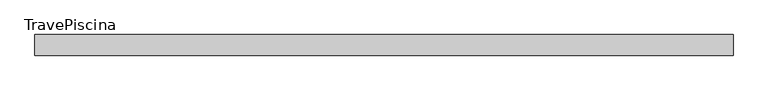
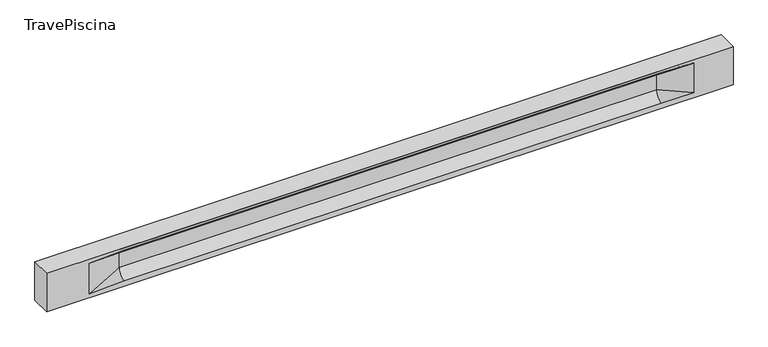
"""IFC4 building model written with IfcOpenShell, lengths in millimetres: beam geometry, TravePiscina."""

from ifc_helpers import new_model, si_unit, frame, origin, place, context, project, spatial, polyline, circle_curve, source, transform, mapped, element, save
from ifc_brep_helpers import plane_surface, revolved_surface, spline_surface, advanced_brep


def travepiscina_fba0a318(model_context):
    return source(origin(), model_context, "Body", "AdvancedBrep", [
        advanced_brep(
        [(8460.5, -250.0, 500.0), (8460.5, -250.0, -500.0), (8460.5, 250.0, -500.0), (8460.5, 250.0, 500.0), (-8460.5, -250.0, 500.0), (-8460.5, -250.0, -500.0), (7485.5, -250.0, -362.0), (6685.5, -250.0, -360.0), (-6560.5, -250.0, -360.0), (-7410.5, -250.0, -400.0), (-7410.5, -250.0, 400.0), (-6560.5, -250.0, 435.0), (6685.5, -250.0, 435.0), (7485.5, -250.0, 400.0), (-8460.5, 250.0, -500.0), (-8460.5, 250.0, 500.0), (7485.5, 250.0, 400.0), (6685.5, 250.0, 435.0), (-6560.5, 250.0, 435.0), (-7410.5, 250.0, 400.0), (-7410.5, 250.0, -400.0), (-6560.5, 250.0, -360.0), (6685.5, 250.0, -360.0), (7485.5, 250.0, -362.0), (6685.5, 155.0, 405.0), (-6560.5, 155.0, 405.0), (-6560.5, -60.0, 262.777021), (6685.5, -60.0, 262.777021), (6685.5, -155.0, 405.0), (-6560.5, -155.0, 405.0), (-6560.5, 60.0, 262.777021), (6685.5, 60.0, 262.777021), (6685.5, 60.0, -120.0), (-6560.5, 60.0, -120.0), (-6560.5, -60.0, -120.0), (6685.5, -60.0, -120.0)],
        [
            (0, 1),
            (1, 2),
            (2, 3),
            (3, 0),
            (0, 4),
            (4, 5),
            (5, 1),
            (6, 7),
            (7, 8),
            (8, 9),
            (9, 10),
            (10, 11),
            (11, 12),
            (12, 13),
            (13, 6),
            (5, 14),
            (14, 2),
            (14, 15),
            (15, 3),
            (16, 17),
            (17, 18),
            (18, 19),
            (19, 20),
            (20, 21),
            (21, 22),
            (22, 23),
            (23, 16),
            (15, 4),
            (17, 24),
            (24, 25),
            (25, 18),
            (26, 27),
            (27, 28, circle_curve(frame((6685.5, -213.9598725, 262.777021), z_axis=(1.0, 0.0, 0.0), x_axis=(0.0, 1.0, 0.0)), 153.9598725)),
            (28, 29),
            (29, 26, circle_curve(frame((-6560.5, -213.9598725, 262.777021), z_axis=(-1.0, 0.0, 0.0), x_axis=(0.0, 1.0, 0.0)), 153.9598725)),
            (30, 31),
            (31, 32),
            (32, 33),
            (33, 30),
            (28, 12),
            (11, 29),
            (34, 35),
            (35, 27),
            (26, 34),
            (25, 19),
            (22, 32, circle_curve(frame((6685.5, 306.5789474, -120.0), z_axis=(-1.0, 0.0, 0.0), x_axis=(0.0, 1.0, 0.0)), 246.5789474)),
            (32, 23),
            (10, 29),
            (10, 26),
            (13, 28),
            (27, 13),
            (30, 19),
            (25, 30, circle_curve(frame((-6560.5, 213.9598725, 262.777021), z_axis=(1.0, 0.0, 0.0), x_axis=(0.0, 1.0, 0.0)), 153.9598725)),
            (9, 34),
            (8, 34, circle_curve(frame((-6560.5, -306.5789474, -120.0), z_axis=(1.0, 0.0, 0.0), x_axis=(0.0, 1.0, 0.0)), 246.5789474)),
            (20, 33),
            (33, 21, circle_curve(frame((-6560.5, 306.5789474, -120.0), z_axis=(1.0, 0.0, 0.0), x_axis=(0.0, 1.0, 0.0)), 246.5789474)),
            (35, 6),
            (35, 7, circle_curve(frame((6685.5, -306.5789474, -120.0), z_axis=(-1.0, 0.0, 0.0), x_axis=(0.0, 1.0, 0.0)), 246.5789474)),
            (31, 16),
            (31, 24, circle_curve(frame((6685.5, 213.9598725, 262.777021), z_axis=(-1.0, 0.0, 0.0), x_axis=(0.0, 1.0, 0.0)), 153.9598725)),
            (24, 16),
        ],
        [
            plane_surface(frame((8460.5, 0.0, 0.0), z_axis=(1.0, 0.0, 0.0), x_axis=(0.0, 0.0, 1.0))),
            plane_surface(frame((8460.5, -250.0, 500.0), z_axis=(0.0, -1.0, 0.0), x_axis=(-1.0, 0.0, 0.0))),
            plane_surface(frame((8460.5, -250.0, -500.0), z_axis=(0.0, 0.0, -1.0), x_axis=(-1.0, 0.0, 0.0))),
            plane_surface(frame((8460.5, 250.0, -500.0), z_axis=(0.0, 1.0, 0.0), x_axis=(-1.0, 0.0, 0.0))),
            plane_surface(frame((8460.5, 250.0, 500.0), z_axis=(0.0, 0.0, 1.0), x_axis=(-1.0, 0.0, 0.0))),
            plane_surface(frame((-6560.5, 250.0, 435.0), z_axis=(0.0, 0.30113136793710954, -0.9535826651341378), x_axis=(1.0, 0.0, 0.0))),
            plane_surface(frame((-8460.5, 0.0, 0.0), z_axis=(-1.0, 0.0, 0.0), x_axis=(0.0, 0.0, 1.0))),
            revolved_surface(polyline([(6685.5, -60.0, 262.777021), (-6560.5, -60.0, 262.777021)]), (-6560.5, -213.9598725, 262.777021), (1.0, 0.0, 0.0)),
            plane_surface(frame((-6560.5, 60.0, 262.777021), z_axis=(0.0, 1.0, 0.0), x_axis=(1.0, 0.0, 0.0))),
            plane_surface(frame((-6560.5, -155.0, 405.0), z_axis=(0.0, -0.30113136793710693, -0.9535826651341387), x_axis=(1.0, 0.0, 0.0))),
            plane_surface(frame((-6560.5, -60.0, -120.0), z_axis=(0.0, -1.0, 0.0), x_axis=(1.0, 0.0, 0.0))),
            plane_surface(frame((-7410.5, 250.0, 400.0), z_axis=(0.03923493491469434, 0.30089950084952793, -0.9528484193567961), x_axis=(0.0, 0.9535826651341378, 0.30113136793710954))),
            spline_surface(2, 1, [[(6685.5, 250.0, -360.0), (7485.5, 250.0, -362.0)], [(6685.5, 60.00000002887427, -315.20833329480604), (7485.5, 250.0, -362.0)], [(6685.5, 60.0, -120.0), (7485.5, 250.0, -362.0)]], [3, 3], [2, 2], [0.0, 1.0], [0.0, 1.0], weights=[[1.0, 1.0], [0.7840458245391329, 0.7840458245391329], [1.0, 1.0]]),
            plane_surface(frame((-7410.5, -250.0, 400.0), z_axis=(0.03923493491469438, -0.3008995008495253, -0.952848419356797), x_axis=(0.0, 0.9535826651341387, -0.30113136793710693))),
            spline_surface(2, 1, [[(-7410.5, -250.0, 400.0), (-6560.5, -155.0, 405.0)], [(-7410.5, -250.0, 400.0), (-6560.5, -60.00000008030692, 365.6168572114734)], [(-7410.5, -250.0, 400.0), (-6560.5, -60.0, 262.777021)]], [3, 3], [2, 2], [0.0, 1.0], [0.0, 1.0], weights=[[1.0, 1.0], [0.8315515924557569, 0.8315515924557569], [1.0, 1.0]]),
            spline_surface(2, 1, [[(6685.5, -155.0, 405.0), (7485.5, -250.0, 400.0)], [(6685.5, -60.00000008030692, 365.6168572114734), (7485.5, -250.0, 400.0)], [(6685.5, -60.0, 262.777021), (7485.5, -250.0, 400.0)]], [3, 3], [2, 2], [0.0, 1.0], [0.0, 1.0], weights=[[1.0, 1.0], [0.8315515924557569, 0.8315515924557569], [1.0, 1.0]]),
            plane_surface(frame((6685.5, -202.5, 420.0), z_axis=(-0.041682982855687514, -0.30086965068766125, -0.9527538938442274), x_axis=(0.0, 0.9535826651341387, -0.30113136793710693))),
            spline_surface(2, 1, [[(-7410.5, 250.0, 400.0), (-6560.5, 60.0, 262.777021)], [(-7410.5, 250.0, 400.0), (-6560.5, 59.99999995452379, 365.6168572954922)], [(-7410.5, 250.0, 400.0), (-6560.5, 155.0, 405.0)]], [3, 3], [2, 2], [0.0, 1.0], [0.0, 1.0], weights=[[1.0, 1.0], [0.8315515921160737, 0.8315515921160737], [1.0, 1.0]]),
            plane_surface(frame((-7410.5, -250.0, 0.0), z_axis=(0.2181459637070523, -0.9759161534262671, 0.0), x_axis=(0.0, 0.0, -1.0))),
            spline_surface(2, 1, [[(-7410.5, -250.0, -400.0), (-6560.5, -60.0, -120.0)], [(-7410.5, -250.0, -400.0), (-6560.5, -59.99999998020837, -315.20833333333337)], [(-7410.5, -250.0, -400.0), (-6560.5, -250.0, -360.0)]], [3, 3], [2, 2], [0.0, 1.0], [0.0, 1.0], weights=[[1.0, 1.0], [0.7840458244617614, 0.7840458244617614], [1.0, 1.0]]),
            spline_surface(2, 1, [[(-7410.5, 250.0, -400.0), (-6560.5, 250.0, -360.0)], [(-7410.5, 250.0, -400.0), (-6560.5, 60.00000002887427, -315.20833329480604)], [(-7410.5, 250.0, -400.0), (-6560.5, 60.0, -120.0)]], [3, 3], [2, 2], [0.0, 1.0], [0.0, 1.0], weights=[[1.0, 1.0], [0.7840458245391329, 0.7840458245391329], [1.0, 1.0]]),
            plane_surface(frame((-7410.5, 250.0, 0.0), z_axis=(0.21814596370704822, 0.9759161534262681, 0.0), x_axis=(0.0, 0.0, 1.0))),
            plane_surface(frame((6685.5, -60.0, 71.3885105), z_axis=(-0.23107243079589768, -0.9729365507195602, 0.0), x_axis=(0.0, 0.0, -1.0))),
            spline_surface(2, 1, [[(6685.5, -60.0, -120.0), (7485.5, -250.0, -362.0)], [(6685.5, -59.99999998020837, -315.20833333333337), (7485.5, -250.0, -362.0)], [(6685.5, -250.0, -360.0), (7485.5, -250.0, -362.0)]], [3, 3], [2, 2], [0.0, 1.0], [0.0, 1.0], weights=[[1.0, 1.0], [0.7840458244617614, 0.7840458244617614], [1.0, 1.0]]),
            plane_surface(frame((6685.5, 60.0, 71.3885105), z_axis=(-0.2310724307958912, 0.9729365507195616, 0.0), x_axis=(0.0, 0.0, 1.0))),
            spline_surface(2, 1, [[(6685.5, 60.0, 262.777021), (7485.5, 250.0, 400.0)], [(6685.5, 59.99999995452379, 365.6168572954922), (7485.5, 250.0, 400.0)], [(6685.5, 155.0, 405.0), (7485.5, 250.0, 400.0)]], [3, 3], [2, 2], [0.0, 1.0], [0.0, 1.0], weights=[[1.0, 1.0], [0.8315515921160737, 0.8315515921160737], [1.0, 1.0]]),
            plane_surface(frame((6685.5, 202.5, 420.0), z_axis=(-0.04168298285568677, 0.30086965068766386, -0.9527538938442265), x_axis=(0.0, 0.9535826651341378, 0.30113136793710954))),
            revolved_surface(polyline([(6685.5, 367.919745, 262.777021), (-6560.5, 367.919745, 262.777021)]), (-6560.5, 213.9598725, 262.777021), (1.0, 0.0, 0.0)),
            revolved_surface(polyline([(6685.5, 553.1578948, -120.0), (-6560.5, 553.1578948, -120.0)]), (-6560.5, 306.5789474, -120.0), (1.0, 0.0, 0.0)),
            revolved_surface(polyline([(6685.5, -60.0, -120.0), (-6560.5, -60.0, -120.0)]), (-6560.5, -306.5789474, -120.0), (1.0, 0.0, 0.0)),
        ],
        [
            (0, [[1, 2, 3, 4]]),
            (1, [[-1, 5, 6, 7], [8, 9, 10, 11, 12, 13, 14, 15]]),
            (2, [[-2, -7, 16, 17]]),
            (3, [[-3, -17, 18, 19], [20, 21, 22, 23, 24, 25, 26, 27]]),
            (4, [[-5, -4, -19, 28]]),
            (5, [[-21, 29, 30, 31]]),
            (6, [[-28, -18, -16, -6]]),
            (7, [[32, 33, 34, 35]]),
            (8, [[36, 37, 38, 39]]),
            (9, [[-34, 40, -13, 41]]),
            (10, [[42, 43, -32, 44]]),
            (11, [[45, -22, -31]]),
            (12, [[-26, 46, 47]]),
            (13, [[-12, 48, -41]]),
            (14, [[-48, 49, -35]]),
            (15, [[50, -33, 51]]),
            (16, [[-14, -40, -50]]),
            (17, [[52, -45, 53]]),
            (18, [[-49, -11, 54, -44]]),
            (19, [[-54, -10, 55]]),
            (20, [[-24, 56, 57]]),
            (21, [[-52, -39, -56, -23]]),
            (22, [[-51, -43, 58, -15]]),
            (23, [[-58, 59, -8]]),
            (24, [[-47, -37, 60, -27]]),
            (25, [[-60, 61, 62]]),
            (26, [[-62, -29, -20]]),
            (27, [[-30, -61, -36, -53]]),
            (28, [[-38, -46, -25, -57]]),
            (29, [[-9, -59, -42, -55]]),
        ],
    ),
    ])


if __name__ == "__main__":
    model = new_model("IFC4")
    model_context = context("Model", 3, world=origin())
    ifc_project = project(units=[si_unit("LENGTHUNIT", "METRE", prefix="MILLI")], contexts=[model_context])
    site = spatial("IfcSite", under=ifc_project)
    building = spatial("IfcBuilding", under=site)
    placement = place(None, origin())
    travepiscina_shape = travepiscina_fba0a318(model_context)
    element("IfcBeam", 1, ObjectType="TravePiscina", at=placement, inside=building, context=model_context, shape_type="MappedRepresentation", body=[
        mapped(travepiscina_shape, transform((0.0, 0.0, 0.0), x_axis=(1.0, 0.0, 0.0), y_axis=(0.0, 1.0, 0.0), z_axis=(0.0, 0.0, 1.0))),
    ])
    save(model, "model.ifc")
